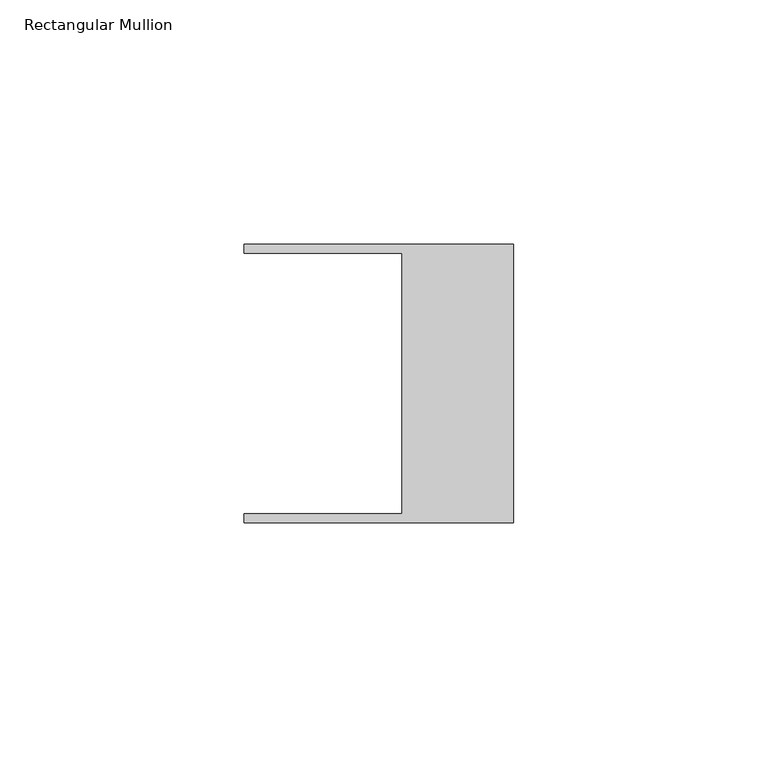
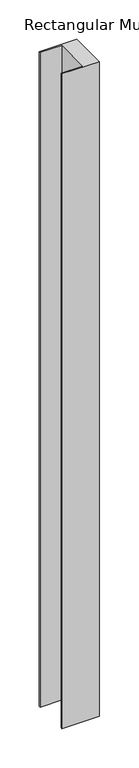
"""IFC4 building model written with IfcOpenShell, lengths in millimetres: member geometry, Rectangular Mullion."""

from ifc_helpers import new_model, si_unit, frame, origin, place, context, project, spatial, polyline, outline, extrude, source, transform, mapped, element, save


def rectangular_mullion_6426c3fa(model_context):
    return source(origin(), model_context, "Body", "SweptSolid", [
        extrude(outline(polyline([(-55.118, 26.67), (-55.118, 28.448), (0.0, 28.448), (0.0, -28.448), (-55.118, -28.448), (-55.118, -26.67), (-22.86, -26.67), (-22.86, 26.67), (-55.118, 26.67)])), frame((0.0, 0.0, -1016.0), z_axis=(0.0, 0.0, 1.0), x_axis=(1.0, 0.0, 0.0)), (0.0, 0.0, 1.0), 1016.0),
    ])


if __name__ == "__main__":
    model = new_model("IFC4")
    model_context = context("Model", 3, world=origin())
    ifc_project = project(units=[si_unit("LENGTHUNIT", "METRE", prefix="MILLI")], contexts=[model_context])
    site = spatial("IfcSite", under=ifc_project)
    building = spatial("IfcBuilding", under=site)
    placement = place(None, origin())
    rectangular_mullion_shape = rectangular_mullion_6426c3fa(model_context)
    element("IfcMember", 1, ObjectType="Rectangular Mullion", at=placement, inside=building, context=model_context, shape_type="MappedRepresentation", body=[
        mapped(rectangular_mullion_shape, transform((0.0, 0.0, 0.0), x_axis=(1.0, 0.0, 0.0), y_axis=(0.0, 1.0, 0.0), z_axis=(0.0, 0.0, 1.0))),
    ])
    save(model, "model.ifc")
